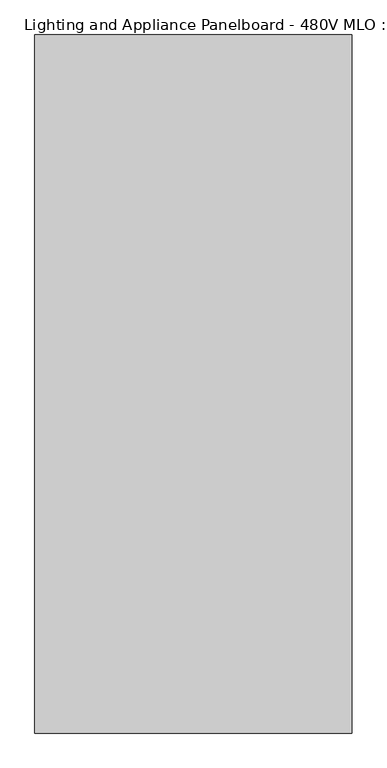
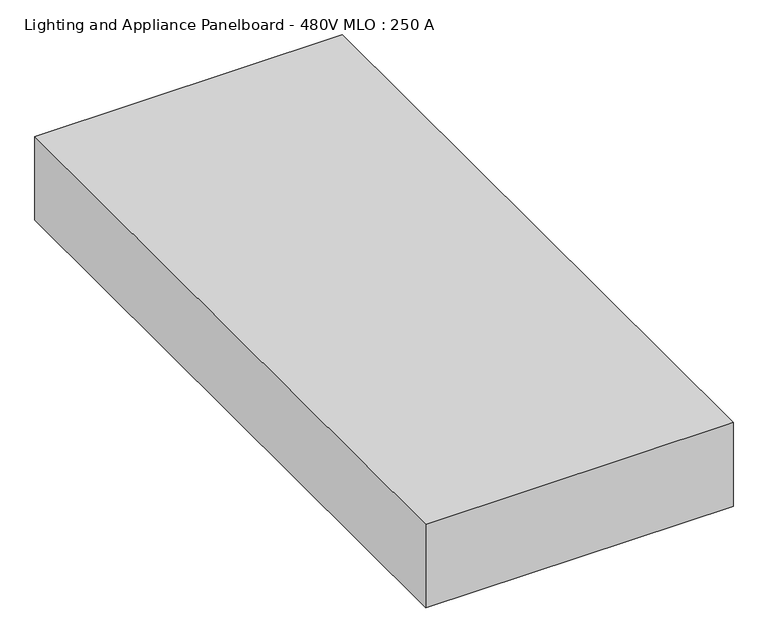
"""IFC4 building model written with IfcOpenShell, lengths in millimetres: proxy geometry, Lighting and Appliance Panelboard - 480V MLO : 250 A."""

from ifc_helpers import new_model, si_unit, frame, origin, place, context, project, spatial, polyline, outline, extrude, source, transform, mapped, element, save


def lighting_and_appliance_panelboard_480v_mlo_250_a_c3ea5980(model_context):
    return source(origin(), model_context, "Body", "SweptSolid", [
        extrude(outline(polyline([(254.0, 932.6725953), (254.0, -184.9274047), (-254.0, -184.9274047), (-254.0, 932.6725953), (254.0, 932.6725953)])), frame((0.0, 0.0, -146.05), z_axis=(0.0, 0.0, 1.0), x_axis=(1.0, 0.0, 0.0)), (0.0, 0.0, 1.0), 146.05),
    ])


if __name__ == "__main__":
    model = new_model("IFC4")
    model_context = context("Model", 3, world=origin())
    ifc_project = project(units=[si_unit("LENGTHUNIT", "METRE", prefix="MILLI")], contexts=[model_context])
    site = spatial("IfcSite", under=ifc_project)
    building = spatial("IfcBuilding", under=site)
    placement = place(None, origin())
    lighting_and_appliance_panelboard_480v_mlo_250_a_shape = lighting_and_appliance_panelboard_480v_mlo_250_a_c3ea5980(model_context)
    element("IfcBuildingElementProxy", 1, Name="Lighting and Appliance Panelboard - 480V MLO : 250 A", ObjectType="Lighting and Appliance Panelboard - 480V MLO : 250 A", at=placement, inside=building, context=model_context, shape_type="MappedRepresentation", body=[
        mapped(lighting_and_appliance_panelboard_480v_mlo_250_a_shape, transform((0.0, 0.0, 0.0), x_axis=(1.0, 0.0, 0.0), y_axis=(0.0, 1.0, 0.0), z_axis=(0.0, 0.0, 1.0))),
    ])
    save(model, "model.ifc")
